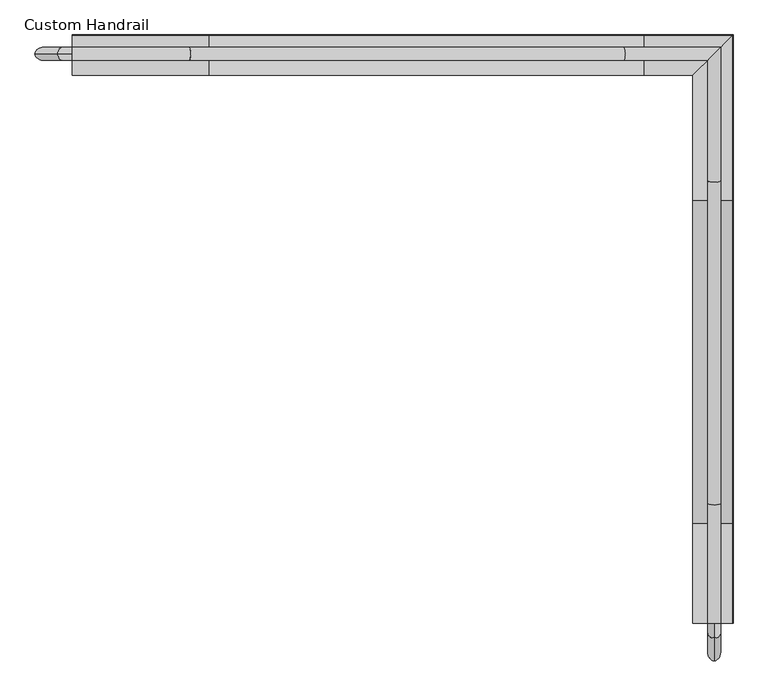
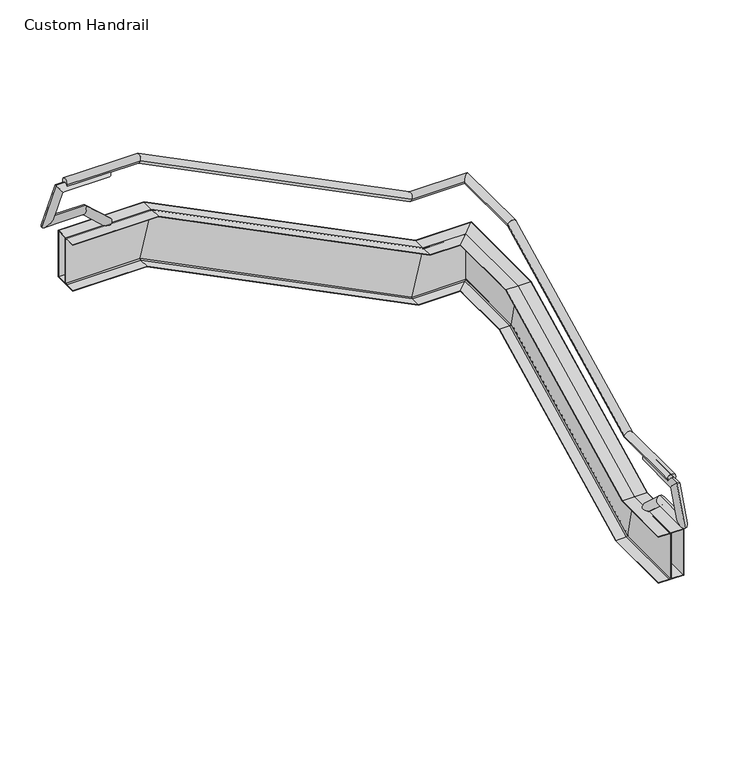
"""IFC4 building model written with IfcOpenShell, lengths in millimetres: railing geometry, Custom Handrail."""

from ifc_helpers import new_model, si_unit, frame, origin, place, context, project, spatial, polyline, circle_curve, ellipse_curve, faceted_brep, source, transform, mapped, element, save
from ifc_brep_helpers import plane_surface, cylinder_surface, revolved_surface, advanced_brep


def custom_handrail_649a79db(model_context):
    return source(origin(), model_context, "Body", "SolidModel", [
        advanced_brep(
        [(-1516.8362637, 4484.6661299, 990.6), (-1618.4362637, 4484.6661299, 990.6), (-1516.8362637, 5411.0583832, 990.6), (-1618.4362637, 5411.0583832, 990.6), (-1516.8362637, 7900.2583832, 2235.2), (-1618.4362637, 7900.2583832, 2235.2), (-1516.8362637, 8929.6661299, 2235.2), (-1618.4362637, 8828.0661299, 2235.2), (-2265.428517, 8929.6661299, 2235.2), (-2265.428517, 8828.0661299, 2235.2), (-5618.228517, 8929.6661299, 3911.6), (-5618.228517, 8828.0661299, 3911.6), (-6520.6362637, 8929.6661299, 3911.6), (-6520.6362637, 8828.0661299, 3911.6)],
        [
            (0, 1, circle_curve(frame((-1567.6362637, 4484.6661299, 990.6), z_axis=(0.0, -1.0, 0.0), x_axis=(-1.0, 0.0, 0.0)), 50.8)),
            (1, 0, circle_curve(frame((-1567.6362637, 4484.6661299, 990.6), z_axis=(0.0, -1.0, 0.0), x_axis=(-1.0, 0.0, 0.0)), 50.8)),
            (0, 2),
            (2, 3, ellipse_curve(frame((-1567.6362637, 5411.0583832, 990.6), z_axis=(0.0, -0.9732489894677302, -0.22975292054736132), x_axis=(0.0, -0.22975292054736085, 0.9732489894677302)), 52.1963039, 50.8)),
            (3, 1),
            (3, 2, ellipse_curve(frame((-1567.6362637, 5411.0583832, 990.6), z_axis=(0.0, -0.9732489894677302, -0.22975292054736132), x_axis=(0.0, -0.22975292054736085, 0.9732489894677302)), 52.1963039, 50.8)),
            (2, 4),
            (4, 5, ellipse_curve(frame((-1567.6362637, 7900.2583832, 2235.2), z_axis=(0.0, -0.9732489894677302, -0.22975292054736146), x_axis=(0.0, 0.22975292054736196, -0.9732489894677301)), 52.1963039, 50.8)),
            (5, 3),
            (5, 4, ellipse_curve(frame((-1567.6362637, 7900.2583832, 2235.2), z_axis=(0.0, -0.9732489894677302, -0.22975292054736146), x_axis=(0.0, 0.22975292054736196, -0.9732489894677301)), 52.1963039, 50.8)),
            (4, 6),
            (6, 7, ellipse_curve(frame((-1567.6362637, 8878.8661299, 2235.2), z_axis=(0.7071067811865475, -0.7071067811865475, 0.0), x_axis=(-0.7071067811865474, -0.7071067811865476, 0.0)), 71.842049, 50.8)),
            (7, 5),
            (7, 6, ellipse_curve(frame((-1567.6362637, 8878.8661299, 2235.2), z_axis=(0.7071067811865475, -0.7071067811865475, 0.0), x_axis=(-0.7071067811865474, -0.7071067811865476, 0.0)), 71.842049, 50.8)),
            (6, 8),
            (8, 9, ellipse_curve(frame((-2265.428517, 8878.8661299, 2235.2), z_axis=(0.9732489894677302, 0.0, -0.2297529205473615), x_axis=(0.2297529205473609, 0.0, 0.9732489894677301)), 52.1963039, 50.8)),
            (9, 7),
            (9, 8, ellipse_curve(frame((-2265.428517, 8878.8661299, 2235.2), z_axis=(0.9732489894677302, 0.0, -0.2297529205473615), x_axis=(0.2297529205473609, 0.0, 0.9732489894677301)), 52.1963039, 50.8)),
            (8, 10),
            (10, 11, ellipse_curve(frame((-5618.228517, 8878.8661299, 3911.6), z_axis=(0.9732489894677302, 0.0, -0.22975292054736157), x_axis=(-0.22975292054736246, 0.0, -0.9732489894677298)), 52.1963039, 50.8)),
            (11, 9),
            (11, 10, ellipse_curve(frame((-5618.228517, 8878.8661299, 3911.6), z_axis=(0.9732489894677302, 0.0, -0.22975292054736157), x_axis=(-0.22975292054736246, 0.0, -0.9732489894677298)), 52.1963039, 50.8)),
            (12, 13, circle_curve(frame((-6520.6362637, 8878.8661299, 3911.6), z_axis=(-1.0, 0.0, 0.0), x_axis=(0.0, -1.0, 0.0)), 50.8)),
            (13, 12, circle_curve(frame((-6520.6362637, 8878.8661299, 3911.6), z_axis=(-1.0, 0.0, 0.0), x_axis=(0.0, -1.0, 0.0)), 50.8)),
            (10, 12),
            (13, 11),
        ],
        [
            plane_surface(frame((-1567.6362637, 4484.6661299, 1041.4), z_axis=(0.0, -1.0, 0.0), x_axis=(0.0, 0.0, 1.0))),
            cylinder_surface(frame((-1567.6362637, 4484.6661299, 990.6), z_axis=(0.0, -1.0, 0.0), x_axis=(-1.0, 0.0, 0.0)), 50.8),
            cylinder_surface(frame((-1567.6362637, 5421.7845806, 995.9630987), z_axis=(0.0, -0.8944271909999159, -0.4472135954999582), x_axis=(-1.0, 0.0, 0.0)), 50.8),
            cylinder_surface(frame((-1567.6362637, 7888.2661299, 2235.2), z_axis=(0.0, -1.0, 0.0), x_axis=(-1.0, 0.0, 0.0)), 50.8),
            cylinder_surface(frame((-1567.6362637, 8878.8661299, 2235.2), z_axis=(1.0, 0.0, 0.0), x_axis=(0.0, -1.0, 0.0)), 50.8),
            cylinder_surface(frame((-2276.1547144, 8878.8661299, 2240.5630987), z_axis=(0.8944271909999157, 0.0, -0.44721359549995826), x_axis=(0.0, -1.0, 0.0)), 50.8),
            plane_surface(frame((-6520.6362637, 8878.8661299, 3962.4), z_axis=(-1.0, 0.0, 0.0), x_axis=(0.0, -1.0, 0.0))),
            cylinder_surface(frame((-5606.2362637, 8878.8661299, 3911.6), z_axis=(1.0, 0.0, 0.0), x_axis=(0.0, -1.0, 0.0)), 50.8),
        ],
        [
            (0, [[1, 2]]),
            (1, [[-1, 3, 4, 5]]),
            (1, [[-2, -5, 6, -3]]),
            (2, [[-4, 7, 8, 9]]),
            (2, [[-6, -9, 10, -7]]),
            (3, [[-8, 11, 12, 13]]),
            (3, [[-10, -13, 14, -11]]),
            (4, [[-12, 15, 16, 17]]),
            (4, [[-14, -17, 18, -15]]),
            (5, [[-16, 19, 20, 21]]),
            (5, [[-18, -21, 22, -19]]),
            (6, [[23, 24]]),
            (7, [[-20, 25, -24, 26]]),
            (7, [[-22, -26, -23, -25]]),
        ],
    ),
        advanced_brep(
        [(-1427.9362637, 4484.6661299, -330.2), (-1427.9362637, 4484.6661299, -323.85), (-1561.2862637, 4484.6661299, -323.85), (-1573.9862637, 4484.6661299, -311.15), (-1573.9862637, 4484.6661299, 260.35), (-1561.2862637, 4484.6661299, 273.05), (-1427.9362637, 4484.6661299, 273.05), (-1427.9362637, 4484.6661299, 279.4), (-1580.3362637, 4484.6661299, 279.4), (-1732.7362637, 4484.6661299, 279.4), (-1732.7362637, 4484.6661299, 273.05), (-1599.3862637, 4484.6661299, 273.05), (-1586.6862637, 4484.6661299, 260.35), (-1586.6862637, 4484.6661299, -311.15), (-1599.3862637, 4484.6661299, -323.85), (-1732.7362637, 4484.6661299, -323.85), (-1732.7362637, 4484.6661299, -330.2), (-1580.3362637, 4484.6661299, -330.2), (-1427.9362637, 5399.0661299, -330.2), (-1427.9362637, 5397.5670983, -323.85), (-1561.2862637, 5397.5670983, -323.85), (-1573.9862637, 5394.569035, -311.15), (-1573.9862637, 5259.6561858, 260.35), (-1561.2862637, 5256.6581225, 273.05), (-1427.9362637, 5256.6581225, 273.05), (-1427.9362637, 5255.1590909, 279.4), (-1580.3362637, 5255.1590909, 279.4), (-1732.7362637, 5255.1590909, 279.4), (-1732.7362637, 5256.6581225, 273.05), (-1599.3862637, 5256.6581225, 273.05), (-1586.6862637, 5259.6561858, 260.35), (-1586.6862637, 5394.569035, -311.15), (-1599.3862637, 5397.5670983, -323.85), (-1732.7362637, 5397.5670983, -323.85), (-1732.7362637, 5399.0661299, -330.2), (-1580.3362637, 5399.0661299, -330.2), (-1427.9362637, 7888.2661299, 914.4), (-1427.9362637, 7886.7670983, 920.75), (-1561.2862637, 7886.7670983, 920.75), (-1573.9862637, 7883.769035, 933.45), (-1573.9862637, 7748.8561858, 1504.95), (-1561.2862637, 7745.8581225, 1517.65), (-1427.9362637, 7745.8581225, 1517.65), (-1427.9362637, 7744.3590909, 1524.0), (-1580.3362637, 7744.3590909, 1524.0), (-1732.7362637, 7744.3590909, 1524.0), (-1732.7362637, 7745.8581225, 1517.65), (-1599.3862637, 7745.8581225, 1517.65), (-1586.6862637, 7748.8561858, 1504.95), (-1586.6862637, 7883.769035, 933.45), (-1599.3862637, 7886.7670983, 920.75), (-1732.7362637, 7886.7670983, 920.75), (-1732.7362637, 7888.2661299, 914.4), (-1580.3362637, 7888.2661299, 914.4), (-1427.9362637, 9018.5661299, 914.4), (-1427.9362637, 9018.5661299, 920.75), (-1561.2862637, 8885.2161299, 920.75), (-1573.9862637, 8872.5161299, 933.45), (-1573.9862637, 8872.5161299, 1504.95), (-1561.2862637, 8885.2161299, 1517.65), (-1427.9362637, 9018.5661299, 1517.65), (-1427.9362637, 9018.5661299, 1524.0), (-1580.3362637, 8866.1661299, 1524.0), (-1732.7362637, 8713.7661299, 1524.0), (-1732.7362637, 8713.7661299, 1517.65), (-1599.3862637, 8847.1161299, 1517.65), (-1586.6862637, 8859.8161299, 1504.95), (-1586.6862637, 8859.8161299, 933.45), (-1599.3862637, 8847.1161299, 920.75), (-1732.7362637, 8713.7661299, 920.75), (-1732.7362637, 8713.7661299, 914.4), (-1580.3362637, 8866.1661299, 914.4), (-2253.4362637, 9018.5661299, 914.4), (-2251.9372321, 9018.5661299, 920.75), (-2251.9372321, 8885.2161299, 920.75), (-2248.9391688, 8872.5161299, 933.45), (-2114.0263196, 8872.5161299, 1504.95), (-2111.0282563, 8885.2161299, 1517.65), (-2111.0282563, 9018.5661299, 1517.65), (-2109.5292247, 9018.5661299, 1524.0), (-2109.5292247, 8866.1661299, 1524.0), (-2109.5292247, 8713.7661299, 1524.0), (-2111.0282563, 8713.7661299, 1517.65), (-2111.0282563, 8847.1161299, 1517.65), (-2114.0263196, 8859.8161299, 1504.95), (-2248.9391688, 8859.8161299, 933.45), (-2251.9372321, 8847.1161299, 920.75), (-2251.9372321, 8713.7661299, 920.75), (-2253.4362637, 8713.7661299, 914.4), (-2253.4362637, 8866.1661299, 914.4), (-5606.2362637, 9018.5661299, 2590.8), (-5604.7372321, 9018.5661299, 2597.15), (-5604.7372321, 8885.2161299, 2597.15), (-5601.7391688, 8872.5161299, 2609.85), (-5466.8263196, 8872.5161299, 3181.35), (-5463.8282563, 8885.2161299, 3194.05), (-5463.8282563, 9018.5661299, 3194.05), (-5462.3292247, 9018.5661299, 3200.4), (-5462.3292247, 8866.1661299, 3200.4), (-5462.3292247, 8713.7661299, 3200.4), (-5463.8282563, 8713.7661299, 3194.05), (-5463.8282563, 8847.1161299, 3194.05), (-5466.8263196, 8859.8161299, 3181.35), (-5601.7391688, 8859.8161299, 2609.85), (-5604.7372321, 8847.1161299, 2597.15), (-5604.7372321, 8713.7661299, 2597.15), (-5606.2362637, 8713.7661299, 2590.8), (-5606.2362637, 8866.1661299, 2590.8), (-6520.6362637, 9018.5661299, 2590.8), (-6520.6362637, 8866.1661299, 2590.8), (-6520.6362637, 8713.7661299, 2590.8), (-6520.6362637, 8713.7661299, 2597.15), (-6520.6362637, 8847.1161299, 2597.15), (-6520.6362637, 8859.8161299, 2609.85), (-6520.6362637, 8859.8161299, 3181.35), (-6520.6362637, 8847.1161299, 3194.05), (-6520.6362637, 8713.7661299, 3194.05), (-6520.6362637, 8713.7661299, 3200.4), (-6520.6362637, 8866.1661299, 3200.4), (-6520.6362637, 9018.5661299, 3200.4), (-6520.6362637, 9018.5661299, 3194.05), (-6520.6362637, 8885.2161299, 3194.05), (-6520.6362637, 8872.5161299, 3181.35), (-6520.6362637, 8872.5161299, 2609.85), (-6520.6362637, 8885.2161299, 2597.15), (-6520.6362637, 9018.5661299, 2597.15)],
        [
            (0, 1),
            (1, 2),
            (2, 3, circle_curve(frame((-1561.2862637, 4484.6661299, -311.15), z_axis=(0.0, 1.0, 0.0), x_axis=(-1.0, 0.0, 0.0)), 12.7)),
            (3, 4),
            (4, 5, circle_curve(frame((-1561.2862637, 4484.6661299, 260.35), z_axis=(0.0, 1.0, 0.0), x_axis=(-1.0, 0.0, 0.0)), 12.7)),
            (5, 6),
            (6, 7),
            (7, 8),
            (8, 9),
            (9, 10),
            (10, 11),
            (11, 12, circle_curve(frame((-1599.3862637, 4484.6661299, 260.35), z_axis=(0.0, 1.0, 0.0), x_axis=(-1.0, 0.0, 0.0)), 12.7)),
            (12, 13),
            (13, 14, circle_curve(frame((-1599.3862637, 4484.6661299, -311.15), z_axis=(0.0, 1.0, 0.0), x_axis=(-1.0, 0.0, 0.0)), 12.7)),
            (14, 15),
            (15, 16),
            (16, 17),
            (17, 0),
            (0, 18),
            (18, 19),
            (19, 1),
            (19, 20),
            (20, 2),
            (20, 21, ellipse_curve(frame((-1561.2862637, 5394.569035, -311.15), z_axis=(0.0, 0.9732489894677302, 0.22975292054736132), x_axis=(0.0, 0.22975292054736085, -0.9732489894677302)), 13.049076, 12.7)),
            (21, 3),
            (21, 22),
            (22, 4),
            (22, 23, ellipse_curve(frame((-1561.2862637, 5259.6561858, 260.35), z_axis=(0.0, 0.9732489894677302, 0.22975292054736132), x_axis=(0.0, 0.22975292054736085, -0.9732489894677302)), 13.049076, 12.7)),
            (23, 5),
            (23, 24),
            (24, 6),
            (24, 25),
            (25, 7),
            (25, 26),
            (26, 8),
            (26, 27),
            (27, 9),
            (27, 28),
            (28, 10),
            (28, 29),
            (29, 11),
            (29, 30, ellipse_curve(frame((-1599.3862637, 5259.6561858, 260.35), z_axis=(0.0, 0.9732489894677302, 0.22975292054736132), x_axis=(0.0, 0.22975292054736085, -0.9732489894677302)), 13.049076, 12.7)),
            (30, 12),
            (30, 31),
            (31, 13),
            (31, 32, ellipse_curve(frame((-1599.3862637, 5394.569035, -311.15), z_axis=(0.0, 0.9732489894677302, 0.22975292054736132), x_axis=(0.0, 0.22975292054736085, -0.9732489894677302)), 13.049076, 12.7)),
            (32, 14),
            (32, 33),
            (33, 15),
            (33, 34),
            (34, 16),
            (34, 35),
            (35, 17),
            (35, 18),
            (18, 36),
            (36, 37),
            (37, 19),
            (37, 38),
            (38, 20),
            (38, 39, ellipse_curve(frame((-1561.2862637, 7883.769035, 933.45), z_axis=(0.0, 0.9732489894677302, 0.22975292054736146), x_axis=(0.0, -0.22975292054736196, 0.9732489894677301)), 13.049076, 12.7)),
            (39, 21),
            (39, 40),
            (40, 22),
            (40, 41, ellipse_curve(frame((-1561.2862637, 7748.8561858, 1504.95), z_axis=(0.0, 0.9732489894677302, 0.22975292054736146), x_axis=(0.0, -0.22975292054736196, 0.9732489894677301)), 13.049076, 12.7)),
            (41, 23),
            (41, 42),
            (42, 24),
            (42, 43),
            (43, 25),
            (43, 44),
            (44, 26),
            (44, 45),
            (45, 27),
            (45, 46),
            (46, 28),
            (46, 47),
            (47, 29),
            (47, 48, ellipse_curve(frame((-1599.3862637, 7748.8561858, 1504.95), z_axis=(0.0, 0.9732489894677302, 0.22975292054736146), x_axis=(0.0, -0.22975292054736196, 0.9732489894677301)), 13.049076, 12.7)),
            (48, 30),
            (48, 49),
            (49, 31),
            (49, 50, ellipse_curve(frame((-1599.3862637, 7883.769035, 933.45), z_axis=(0.0, 0.9732489894677302, 0.22975292054736146), x_axis=(0.0, -0.22975292054736196, 0.9732489894677301)), 13.049076, 12.7)),
            (50, 32),
            (50, 51),
            (51, 33),
            (51, 52),
            (52, 34),
            (52, 53),
            (53, 35),
            (53, 36),
            (36, 54),
            (54, 55),
            (55, 37),
            (55, 56),
            (56, 38),
            (56, 57, ellipse_curve(frame((-1561.2862637, 8885.2161299, 933.45), z_axis=(-0.7071067811865475, 0.7071067811865475, 0.0), x_axis=(0.7071067811865474, 0.7071067811865476, 0.0)), 17.9605122, 12.7)),
            (57, 39),
            (57, 58),
            (58, 40),
            (58, 59, ellipse_curve(frame((-1561.2862637, 8885.2161299, 1504.95), z_axis=(-0.7071067811865475, 0.7071067811865475, 0.0), x_axis=(0.7071067811865474, 0.7071067811865476, 0.0)), 17.9605122, 12.7)),
            (59, 41),
            (59, 60),
            (60, 42),
            (60, 61),
            (61, 43),
            (61, 62),
            (62, 44),
            (62, 63),
            (63, 45),
            (63, 64),
            (64, 46),
            (64, 65),
            (65, 47),
            (65, 66, ellipse_curve(frame((-1599.3862637, 8847.1161299, 1504.95), z_axis=(-0.7071067811865475, 0.7071067811865475, 0.0), x_axis=(0.7071067811865474, 0.7071067811865476, 0.0)), 17.9605122, 12.7)),
            (66, 48),
            (66, 67),
            (67, 49),
            (67, 68, ellipse_curve(frame((-1599.3862637, 8847.1161299, 933.45), z_axis=(-0.7071067811865475, 0.7071067811865475, 0.0), x_axis=(0.7071067811865474, 0.7071067811865476, 0.0)), 17.9605122, 12.7)),
            (68, 50),
            (68, 69),
            (69, 51),
            (69, 70),
            (70, 52),
            (70, 71),
            (71, 53),
            (71, 54),
            (54, 72),
            (72, 73),
            (73, 55),
            (73, 74),
            (74, 56),
            (74, 75, ellipse_curve(frame((-2248.9391688, 8885.2161299, 933.45), z_axis=(-0.9732489894677302, 0.0, 0.2297529205473615), x_axis=(-0.2297529205473609, 0.0, -0.9732489894677301)), 13.049076, 12.7)),
            (75, 57),
            (75, 76),
            (76, 58),
            (76, 77, ellipse_curve(frame((-2114.0263196, 8885.2161299, 1504.95), z_axis=(-0.9732489894677302, 0.0, 0.2297529205473615), x_axis=(-0.2297529205473609, 0.0, -0.9732489894677301)), 13.049076, 12.7)),
            (77, 59),
            (77, 78),
            (78, 60),
            (78, 79),
            (79, 61),
            (79, 80),
            (80, 62),
            (80, 81),
            (81, 63),
            (81, 82),
            (82, 64),
            (82, 83),
            (83, 65),
            (83, 84, ellipse_curve(frame((-2114.0263196, 8847.1161299, 1504.95), z_axis=(-0.9732489894677302, 0.0, 0.2297529205473615), x_axis=(-0.2297529205473609, 0.0, -0.9732489894677301)), 13.049076, 12.7)),
            (84, 66),
            (84, 85),
            (85, 67),
            (85, 86, ellipse_curve(frame((-2248.9391688, 8847.1161299, 933.45), z_axis=(-0.9732489894677302, 0.0, 0.2297529205473615), x_axis=(-0.2297529205473609, 0.0, -0.9732489894677301)), 13.049076, 12.7)),
            (86, 68),
            (86, 87),
            (87, 69),
            (87, 88),
            (88, 70),
            (88, 89),
            (89, 71),
            (89, 72),
            (72, 90),
            (90, 91),
            (91, 73),
            (91, 92),
            (92, 74),
            (92, 93, ellipse_curve(frame((-5601.7391688, 8885.2161299, 2609.85), z_axis=(-0.9732489894677302, 0.0, 0.22975292054736157), x_axis=(0.22975292054736246, 0.0, 0.9732489894677298)), 13.049076, 12.7)),
            (93, 75),
            (93, 94),
            (94, 76),
            (94, 95, ellipse_curve(frame((-5466.8263196, 8885.2161299, 3181.35), z_axis=(-0.9732489894677302, 0.0, 0.22975292054736157), x_axis=(0.22975292054736246, 0.0, 0.9732489894677298)), 13.049076, 12.7)),
            (95, 77),
            (95, 96),
            (96, 78),
            (96, 97),
            (97, 79),
            (97, 98),
            (98, 80),
            (98, 99),
            (99, 81),
            (99, 100),
            (100, 82),
            (100, 101),
            (101, 83),
            (101, 102, ellipse_curve(frame((-5466.8263196, 8847.1161299, 3181.35), z_axis=(-0.9732489894677302, 0.0, 0.22975292054736157), x_axis=(0.22975292054736246, 0.0, 0.9732489894677298)), 13.049076, 12.7)),
            (102, 84),
            (102, 103),
            (103, 85),
            (103, 104, ellipse_curve(frame((-5601.7391688, 8847.1161299, 2609.85), z_axis=(-0.9732489894677302, 0.0, 0.22975292054736157), x_axis=(0.22975292054736246, 0.0, 0.9732489894677298)), 13.049076, 12.7)),
            (104, 86),
            (104, 105),
            (105, 87),
            (105, 106),
            (106, 88),
            (106, 107),
            (107, 89),
            (107, 90),
            (108, 109),
            (109, 110),
            (110, 111),
            (111, 112),
            (112, 113, circle_curve(frame((-6520.6362637, 8847.1161299, 2609.85), z_axis=(1.0, 0.0, 0.0), x_axis=(0.0, -1.0, 0.0)), 12.7)),
            (113, 114),
            (114, 115, circle_curve(frame((-6520.6362637, 8847.1161299, 3181.35), z_axis=(1.0, 0.0, 0.0), x_axis=(0.0, -1.0, 0.0)), 12.7)),
            (115, 116),
            (116, 117),
            (117, 118),
            (118, 119),
            (119, 120),
            (120, 121),
            (121, 122, circle_curve(frame((-6520.6362637, 8885.2161299, 3181.35), z_axis=(1.0, 0.0, 0.0), x_axis=(0.0, -1.0, 0.0)), 12.7)),
            (122, 123),
            (123, 124, circle_curve(frame((-6520.6362637, 8885.2161299, 2609.85), z_axis=(1.0, 0.0, 0.0), x_axis=(0.0, -1.0, 0.0)), 12.7)),
            (124, 125),
            (125, 108),
            (90, 108),
            (125, 91),
            (124, 92),
            (123, 93),
            (122, 94),
            (121, 95),
            (120, 96),
            (119, 97),
            (118, 98),
            (117, 99),
            (116, 100),
            (115, 101),
            (114, 102),
            (113, 103),
            (112, 104),
            (111, 105),
            (110, 106),
            (109, 107),
        ],
        [
            plane_surface(frame((-1580.3362637, 4484.6661299, -330.2), z_axis=(0.0, -1.0, 0.0), x_axis=(0.0, 0.0, 1.0))),
            plane_surface(frame((-1427.9362637, 4484.6661299, -330.2), z_axis=(1.0, 0.0, 0.0), x_axis=(0.0, 1.0, 0.0))),
            plane_surface(frame((-1427.9362637, 4484.6661299, -323.85), z_axis=(0.0, 0.0, 1.0), x_axis=(0.0, 1.0, 0.0))),
            revolved_surface(polyline([(-1573.9862637, 5397.567098321445, -311.15), (-1573.9862637, 4484.6661299, -311.15)]), (-1561.2862637, 4484.6661299, -311.15), (0.0, 1.0, 0.0)),
            plane_surface(frame((-1573.9862637, 4484.6661299, -311.15), z_axis=(1.0, 0.0, 0.0), x_axis=(0.0, 1.0, 0.0))),
            revolved_surface(polyline([(-1573.9862637, 5262.654249121444, 260.35), (-1573.9862637, 4484.6661299, 260.35)]), (-1561.2862637, 4484.6661299, 260.35), (0.0, 1.0, 0.0)),
            plane_surface(frame((-1561.2862637, 4484.6661299, 273.05), z_axis=(0.0, 0.0, -1.0), x_axis=(0.0, 1.0, 0.0))),
            plane_surface(frame((-1427.9362637, 4484.6661299, 273.05), z_axis=(1.0, 0.0, 0.0), x_axis=(0.0, 1.0, 0.0))),
            plane_surface(frame((-1427.9362637, 4484.6661299, 279.4), z_axis=(0.0, 0.0, 1.0), x_axis=(0.0, 1.0, 0.0))),
            plane_surface(frame((-1580.3362637, 4484.6661299, 279.4), z_axis=(0.0, 0.0, 1.0), x_axis=(0.0, 1.0, 0.0))),
            plane_surface(frame((-1732.7362637, 4484.6661299, 279.4), z_axis=(-1.0, 0.0, 0.0), x_axis=(0.0, 1.0, 0.0))),
            plane_surface(frame((-1732.7362637, 4484.6661299, 273.05), z_axis=(0.0, 0.0, -1.0), x_axis=(0.0, 1.0, 0.0))),
            revolved_surface(polyline([(-1612.0862637, 5262.654249121444, 260.35), (-1612.0862637, 4484.6661299, 260.35)]), (-1599.3862637, 4484.6661299, 260.35), (0.0, 1.0, 0.0)),
            plane_surface(frame((-1586.6862637, 4484.6661299, 260.35), z_axis=(-1.0, 0.0, 0.0), x_axis=(0.0, 1.0, 0.0))),
            revolved_surface(polyline([(-1612.0862637, 5397.567098321445, -311.15), (-1612.0862637, 4484.6661299, -311.15)]), (-1599.3862637, 4484.6661299, -311.15), (0.0, 1.0, 0.0)),
            plane_surface(frame((-1599.3862637, 4484.6661299, -323.85), z_axis=(0.0, 0.0, 1.0), x_axis=(0.0, 1.0, 0.0))),
            plane_surface(frame((-1732.7362637, 4484.6661299, -323.85), z_axis=(-1.0, 0.0, 0.0), x_axis=(0.0, 1.0, 0.0))),
            plane_surface(frame((-1732.7362637, 4484.6661299, -330.2), z_axis=(0.0, 0.0, -1.0), x_axis=(0.0, 1.0, 0.0))),
            plane_surface(frame((-1580.3362637, 4484.6661299, -330.2), z_axis=(0.0, 0.0, -1.0), x_axis=(0.0, 1.0, 0.0))),
            plane_surface(frame((-1427.9362637, 5399.0661299, -330.2), z_axis=(1.0000000000000002, 0.0, 0.0), x_axis=(0.0, 0.894427190999916, 0.447213595499958))),
            plane_surface(frame((-1427.9362637, 5397.5670983, -323.85), z_axis=(0.0, -0.4472135954999582, 0.8944271909999159), x_axis=(0.0, 0.8944271909999159, 0.4472135954999582))),
            revolved_surface(polyline([(-1573.9862637, 7886.45058435504, 934.7907746775205), (-1573.9862637, 5391.88748564, -312.49077467999996)]), (-1561.2862637, 5390.546711, -313.161162), (0.0, 0.8944271909999159, 0.4472135954999582)),
            plane_surface(frame((-1573.9862637, 5394.569035, -311.15), z_axis=(1.0, 0.0, 0.0), x_axis=(0.0, 0.8944271909999159, 0.44721359549995815))),
            revolved_surface(polyline([(-1573.9862637, 7751.53773518, 1506.2907746400008), (-1573.9862637, 5256.97463646496, 259.00922528248003)]), (-1561.2862637, 5134.9641411, 198.0039776), (0.0, 0.8944271909999159, 0.4472135954999582)),
            plane_surface(frame((-1561.2862637, 5256.6581225, 273.05), z_axis=(0.0, 0.447213595499958, -0.894427190999916), x_axis=(0.0, 0.894427190999916, 0.447213595499958))),
            plane_surface(frame((-1427.9362637, 5256.6581225, 273.05), z_axis=(1.0000000000000002, 0.0, 0.0), x_axis=(0.0, 0.894427190999916, 0.4472135954999581))),
            plane_surface(frame((-1427.9362637, 5255.1590909, 279.4), z_axis=(0.0, -0.4472135954999581, 0.894427190999916), x_axis=(0.0, 0.894427190999916, 0.4472135954999581))),
            plane_surface(frame((-1580.3362637, 5255.1590909, 279.4), z_axis=(0.0, -0.4472135954999582, 0.8944271909999159), x_axis=(0.0, 0.8944271909999159, 0.4472135954999582))),
            plane_surface(frame((-1732.7362637, 5255.1590909, 279.4), z_axis=(-1.0000000000000002, 0.0, 0.0), x_axis=(0.0, 0.894427190999916, 0.4472135954999581))),
            plane_surface(frame((-1732.7362637, 5256.6581225, 273.05), z_axis=(0.0, 0.44721359549995787, -0.894427190999916), x_axis=(0.0, 0.894427190999916, 0.44721359549995787))),
            revolved_surface(polyline([(-1612.0862637, 7751.53773518, 1506.2907746400008), (-1612.0862637, 5256.97463646496, 259.00922528248003)]), (-1599.3862637, 5134.9641411, 198.0039776), (0.0, 0.8944271909999159, 0.4472135954999582)),
            plane_surface(frame((-1586.6862637, 5259.6561858, 260.35), z_axis=(-1.0000000000000002, 0.0, 0.0), x_axis=(0.0, 0.894427190999916, 0.4472135954999581))),
            revolved_surface(polyline([(-1612.0862637, 7886.45058435504, 934.7907746775205), (-1612.0862637, 5391.88748564, -312.49077467999996)]), (-1599.3862637, 5390.546711, -313.161162), (0.0, 0.8944271909999159, 0.4472135954999582)),
            plane_surface(frame((-1599.3862637, 5397.5670983, -323.85), z_axis=(0.0, -0.44721359549995826, 0.8944271909999157), x_axis=(0.0, 0.8944271909999157, 0.44721359549995826))),
            plane_surface(frame((-1732.7362637, 5397.5670983, -323.85), z_axis=(-1.0000000000000002, 0.0, 0.0), x_axis=(0.0, 0.8944271909999159, 0.4472135954999582))),
            plane_surface(frame((-1732.7362637, 5399.0661299, -330.2), z_axis=(0.0, 0.447213595499958, -0.894427190999916), x_axis=(0.0, 0.894427190999916, 0.447213595499958))),
            plane_surface(frame((-1580.3362637, 5399.0661299, -330.2), z_axis=(0.0, 0.447213595499958, -0.894427190999916), x_axis=(0.0, 0.894427190999916, 0.447213595499958))),
            plane_surface(frame((-1427.9362637, 7888.2661299, 914.4), z_axis=(1.0, 0.0, 0.0), x_axis=(0.0, 1.0, 0.0))),
            plane_surface(frame((-1427.9362637, 7886.7670983, 920.75), z_axis=(0.0, 0.0, 1.0), x_axis=(0.0, 1.0, 0.0))),
            revolved_surface(polyline([(-1573.9862637, 8897.916129870204, 933.45), (-1573.9862637, 7880.770971678556, 933.45)]), (-1561.2862637, 7888.2661299, 933.45), (0.0, 1.0, 0.0)),
            plane_surface(frame((-1573.9862637, 7883.769035, 933.45), z_axis=(1.0, 0.0, 0.0), x_axis=(0.0, 1.0, 0.0))),
            revolved_surface(polyline([(-1573.9862637, 8897.916129870204, 1504.95), (-1573.9862637, 7745.858122478556, 1504.95)]), (-1561.2862637, 7888.2661299, 1504.95), (0.0, 1.0, 0.0)),
            plane_surface(frame((-1561.2862637, 7745.8581225, 1517.65), z_axis=(0.0, 0.0, -1.0), x_axis=(0.0, 1.0, 0.0))),
            plane_surface(frame((-1427.9362637, 7745.8581225, 1517.65), z_axis=(1.0, 0.0, 0.0), x_axis=(0.0, 1.0, 0.0))),
            plane_surface(frame((-1427.9362637, 7744.3590909, 1524.0), z_axis=(0.0, 0.0, 1.0), x_axis=(0.0, 1.0, 0.0))),
            plane_surface(frame((-1580.3362637, 7744.3590909, 1524.0), z_axis=(0.0, 0.0, 1.0), x_axis=(0.0, 1.0, 0.0))),
            plane_surface(frame((-1732.7362637, 7744.3590909, 1524.0), z_axis=(-1.0, 0.0, 0.0), x_axis=(0.0, 1.0, 0.0))),
            plane_surface(frame((-1732.7362637, 7745.8581225, 1517.65), z_axis=(0.0, 0.0, -1.0), x_axis=(0.0, 1.0, 0.0))),
            revolved_surface(polyline([(-1612.0862637, 8859.8161299, 1504.95), (-1612.0862637, 7745.858122478556, 1504.95)]), (-1599.3862637, 7888.2661299, 1504.95), (0.0, 1.0, 0.0)),
            plane_surface(frame((-1586.6862637, 7748.8561858, 1504.95), z_axis=(-1.0, 0.0, 0.0), x_axis=(0.0, 1.0, 0.0))),
            revolved_surface(polyline([(-1612.0862637, 8859.8161299, 933.45), (-1612.0862637, 7880.770971678556, 933.45)]), (-1599.3862637, 7888.2661299, 933.45), (0.0, 1.0, 0.0)),
            plane_surface(frame((-1599.3862637, 7886.7670983, 920.75), z_axis=(0.0, 0.0, 1.0), x_axis=(0.0, 1.0, 0.0))),
            plane_surface(frame((-1732.7362637, 7886.7670983, 920.75), z_axis=(-1.0, 0.0, 0.0), x_axis=(0.0, 1.0, 0.0))),
            plane_surface(frame((-1732.7362637, 7888.2661299, 914.4), z_axis=(0.0, 0.0, -1.0), x_axis=(0.0, 1.0, 0.0))),
            plane_surface(frame((-1580.3362637, 7888.2661299, 914.4), z_axis=(0.0, 0.0, -1.0), x_axis=(0.0, 1.0, 0.0))),
            plane_surface(frame((-1427.9362637, 9018.5661299, 914.4), z_axis=(0.0, 1.0, 0.0), x_axis=(-1.0, 0.0, 0.0))),
            plane_surface(frame((-1427.9362637, 9018.5661299, 920.75), z_axis=(0.0, 0.0, 1.0), x_axis=(-1.0, 0.0, 0.0))),
            revolved_surface(polyline([(-2251.9372321214446, 8872.5161299, 933.45), (-1548.5862637297964, 8872.5161299, 933.45)]), (-1580.3362637, 8885.2161299, 933.45), (-1.0, 0.0, 0.0)),
            plane_surface(frame((-1573.9862637, 8872.5161299, 933.45), z_axis=(0.0, 1.0, 0.0), x_axis=(-1.0, 0.0, 0.0))),
            revolved_surface(polyline([(-2117.0243829214446, 8872.5161299, 1504.95), (-1548.5862637297964, 8872.5161299, 1504.95)]), (-1580.3362637, 8885.2161299, 1504.95), (-1.0, 0.0, 0.0)),
            plane_surface(frame((-1561.2862637, 8885.2161299, 1517.65), z_axis=(0.0, 0.0, -1.0), x_axis=(-1.0, 0.0, 0.0))),
            plane_surface(frame((-1427.9362637, 9018.5661299, 1517.65), z_axis=(0.0, 1.0, 0.0), x_axis=(-1.0, 0.0, 0.0))),
            plane_surface(frame((-1427.9362637, 9018.5661299, 1524.0), z_axis=(0.0, 0.0, 1.0), x_axis=(-1.0, 0.0, 0.0))),
            plane_surface(frame((-1580.3362637, 8866.1661299, 1524.0), z_axis=(0.0, 0.0, 1.0), x_axis=(-1.0, 0.0, 0.0))),
            plane_surface(frame((-1732.7362637, 8713.7661299, 1524.0), z_axis=(0.0, -1.0, 0.0), x_axis=(-1.0, 0.0, 0.0))),
            plane_surface(frame((-1732.7362637, 8713.7661299, 1517.65), z_axis=(0.0, 0.0, -1.0), x_axis=(-1.0, 0.0, 0.0))),
            revolved_surface(polyline([(-2117.0243829214446, 8834.416129899999, 1504.95), (-1586.6862637, 8834.416129899999, 1504.95)]), (-1580.3362637, 8847.1161299, 1504.95), (-1.0, 0.0, 0.0)),
            plane_surface(frame((-1586.6862637, 8859.8161299, 1504.95), z_axis=(0.0, -1.0, 0.0), x_axis=(-1.0, 0.0, 0.0))),
            revolved_surface(polyline([(-2251.9372321214446, 8834.416129899999, 933.45), (-1586.6862637, 8834.416129899999, 933.45)]), (-1580.3362637, 8847.1161299, 933.45), (-1.0, 0.0, 0.0)),
            plane_surface(frame((-1599.3862637, 8847.1161299, 920.75), z_axis=(0.0, 0.0, 1.0), x_axis=(-1.0, 0.0, 0.0))),
            plane_surface(frame((-1732.7362637, 8713.7661299, 920.75), z_axis=(0.0, -1.0, 0.0), x_axis=(-1.0, 0.0, 0.0))),
            plane_surface(frame((-1732.7362637, 8713.7661299, 914.4), z_axis=(0.0, 0.0, -1.0), x_axis=(-1.0, 0.0, 0.0))),
            plane_surface(frame((-1580.3362637, 8866.1661299, 914.4), z_axis=(0.0, 0.0, -1.0), x_axis=(-1.0, 0.0, 0.0))),
            plane_surface(frame((-2253.4362637, 9018.5661299, 914.4), z_axis=(0.0, 1.0000000000000002, 0.0), x_axis=(-0.894427190999916, 0.0, 0.447213595499958))),
            plane_surface(frame((-2251.9372321, 9018.5661299, 920.75), z_axis=(0.447213595499958, 0.0, 0.894427190999916), x_axis=(-0.894427190999916, 0.0, 0.447213595499958))),
            revolved_surface(polyline([(-5604.420718135039, 8872.5161299, 2611.190774717521), (-2246.25761942, 8872.5161299, 932.10922536)]), (-2244.9168447, 8885.2161299, 931.438838), (-0.8944271909999157, 0.0, 0.44721359549995826)),
            plane_surface(frame((-2248.9391688, 8872.5161299, 933.45), z_axis=(0.0, 1.0, 0.0), x_axis=(-0.8944271909999159, 0.0, 0.447213595499958))),
            revolved_surface(polyline([(-5469.507868979999, 8872.5161299, 3182.690774640001), (-2111.3447702649605, 8872.5161299, 1503.6092252824803)]), (-1989.3342749, 8885.2161299, 1442.6039776), (-0.8944271909999157, 0.0, 0.44721359549995826)),
            plane_surface(frame((-2111.0282563, 8885.2161299, 1517.65), z_axis=(-0.44721359549995804, 0.0, -0.894427190999916), x_axis=(-0.894427190999916, 0.0, 0.44721359549995804))),
            plane_surface(frame((-2111.0282563, 9018.5661299, 1517.65), z_axis=(0.0, 1.0, 0.0), x_axis=(-0.894427190999916, 0.0, 0.4472135954999578))),
            plane_surface(frame((-2109.5292247, 9018.5661299, 1524.0), z_axis=(0.447213595499958, 0.0, 0.8944271909999159), x_axis=(-0.8944271909999159, 0.0, 0.447213595499958))),
            plane_surface(frame((-2109.5292247, 8866.1661299, 1524.0), z_axis=(0.447213595499958, 0.0, 0.894427190999916), x_axis=(-0.894427190999916, 0.0, 0.447213595499958))),
            plane_surface(frame((-2109.5292247, 8713.7661299, 1524.0), z_axis=(0.0, -1.0000000000000002, 0.0), x_axis=(-0.894427190999916, 0.0, 0.4472135954999579))),
            plane_surface(frame((-2111.0282563, 8713.7661299, 1517.65), z_axis=(-0.447213595499958, 0.0, -0.894427190999916), x_axis=(-0.894427190999916, 0.0, 0.447213595499958))),
            revolved_surface(polyline([(-5469.507868979999, 8834.416129899999, 3182.690774640001), (-2111.3447702649605, 8834.416129899999, 1503.6092252824803)]), (-1989.3342749, 8847.1161299, 1442.6039776), (-0.8944271909999157, 0.0, 0.44721359549995826)),
            plane_surface(frame((-2114.0263196, 8859.8161299, 1504.95), z_axis=(0.0, -1.0000000000000002, 0.0), x_axis=(-0.894427190999916, 0.0, 0.44721359549995804))),
            revolved_surface(polyline([(-5604.420718135039, 8834.416129899999, 2611.190774717521), (-2246.25761942, 8834.416129899999, 932.10922536)]), (-2244.9168447, 8847.1161299, 931.438838), (-0.8944271909999157, 0.0, 0.44721359549995826)),
            plane_surface(frame((-2251.9372321, 8847.1161299, 920.75), z_axis=(0.447213595499958, 0.0, 0.894427190999916), x_axis=(-0.894427190999916, 0.0, 0.447213595499958))),
            plane_surface(frame((-2251.9372321, 8713.7661299, 920.75), z_axis=(0.0, -1.0000000000000002, 0.0), x_axis=(-0.894427190999916, 0.0, 0.447213595499958))),
            plane_surface(frame((-2253.4362637, 8713.7661299, 914.4), z_axis=(-0.447213595499958, 0.0, -0.894427190999916), x_axis=(-0.894427190999916, 0.0, 0.447213595499958))),
            plane_surface(frame((-2253.4362637, 8866.1661299, 914.4), z_axis=(-0.447213595499958, 0.0, -0.894427190999916), x_axis=(-0.894427190999916, 0.0, 0.447213595499958))),
            plane_surface(frame((-6520.6362637, 8866.1661299, 2590.8), z_axis=(-1.0, 0.0, 0.0), x_axis=(0.0, -1.0, 0.0))),
            plane_surface(frame((-5606.2362637, 9018.5661299, 2590.8), z_axis=(0.0, 1.0, 0.0), x_axis=(-1.0, 0.0, 0.0))),
            plane_surface(frame((-5604.7372321, 9018.5661299, 2597.15), z_axis=(0.0, 0.0, 1.0), x_axis=(-1.0, 0.0, 0.0))),
            revolved_surface(polyline([(-6520.6362637, 8872.5161299, 2609.85), (-5598.741105478555, 8872.5161299, 2609.85)]), (-5606.2362637, 8885.2161299, 2609.85), (-1.0, 0.0, 0.0)),
            plane_surface(frame((-5601.7391688, 8872.5161299, 2609.85), z_axis=(0.0, 1.0, 0.0), x_axis=(-1.0, 0.0, 0.0))),
            revolved_surface(polyline([(-6520.6362637, 8872.5161299, 3181.35), (-5463.828256278555, 8872.5161299, 3181.35)]), (-5606.2362637, 8885.2161299, 3181.35), (-1.0, 0.0, 0.0)),
            plane_surface(frame((-5463.8282563, 8885.2161299, 3194.05), z_axis=(0.0, 0.0, -1.0), x_axis=(-1.0, 0.0, 0.0))),
            plane_surface(frame((-5463.8282563, 9018.5661299, 3194.05), z_axis=(0.0, 1.0, 0.0), x_axis=(-1.0, 0.0, 0.0))),
            plane_surface(frame((-5462.3292247, 9018.5661299, 3200.4), z_axis=(0.0, 0.0, 1.0), x_axis=(-1.0, 0.0, 0.0))),
            plane_surface(frame((-5462.3292247, 8866.1661299, 3200.4), z_axis=(0.0, 0.0, 1.0), x_axis=(-1.0, 0.0, 0.0))),
            plane_surface(frame((-5462.3292247, 8713.7661299, 3200.4), z_axis=(0.0, -1.0, 0.0), x_axis=(-1.0, 0.0, 0.0))),
            plane_surface(frame((-5463.8282563, 8713.7661299, 3194.05), z_axis=(0.0, 0.0, -1.0), x_axis=(-1.0, 0.0, 0.0))),
            revolved_surface(polyline([(-6520.6362637, 8834.416129899999, 3181.35), (-5463.828256278555, 8834.416129899999, 3181.35)]), (-5606.2362637, 8847.1161299, 3181.35), (-1.0, 0.0, 0.0)),
            plane_surface(frame((-5466.8263196, 8859.8161299, 3181.35), z_axis=(0.0, -1.0, 0.0), x_axis=(-1.0, 0.0, 0.0))),
            revolved_surface(polyline([(-6520.6362637, 8834.416129899999, 2609.85), (-5598.741105478555, 8834.416129899999, 2609.85)]), (-5606.2362637, 8847.1161299, 2609.85), (-1.0, 0.0, 0.0)),
            plane_surface(frame((-5604.7372321, 8847.1161299, 2597.15), z_axis=(0.0, 0.0, 1.0), x_axis=(-1.0, 0.0, 0.0))),
            plane_surface(frame((-5604.7372321, 8713.7661299, 2597.15), z_axis=(0.0, -1.0, 0.0), x_axis=(-1.0, 0.0, 0.0))),
            plane_surface(frame((-5606.2362637, 8713.7661299, 2590.8), z_axis=(0.0, 0.0, -1.0), x_axis=(-1.0, 0.0, 0.0))),
            plane_surface(frame((-5606.2362637, 8866.1661299, 2590.8), z_axis=(0.0, 0.0, -1.0), x_axis=(-1.0, 0.0, 0.0))),
        ],
        [
            (0, [[1, 2, 3, 4, 5, 6, 7, 8, 9, 10, 11, 12, 13, 14, 15, 16, 17, 18]]),
            (1, [[-1, 19, 20, 21]]),
            (2, [[-2, -21, 22, 23]]),
            (3, [[-3, -23, 24, 25]]),
            (4, [[-4, -25, 26, 27]]),
            (5, [[-5, -27, 28, 29]]),
            (6, [[-6, -29, 30, 31]]),
            (7, [[-7, -31, 32, 33]]),
            (8, [[-8, -33, 34, 35]]),
            (9, [[-9, -35, 36, 37]]),
            (10, [[-10, -37, 38, 39]]),
            (11, [[-11, -39, 40, 41]]),
            (12, [[-12, -41, 42, 43]]),
            (13, [[-13, -43, 44, 45]]),
            (14, [[-14, -45, 46, 47]]),
            (15, [[-15, -47, 48, 49]]),
            (16, [[-16, -49, 50, 51]]),
            (17, [[-17, -51, 52, 53]]),
            (18, [[-18, -53, 54, -19]]),
            (19, [[-20, 55, 56, 57]]),
            (20, [[-22, -57, 58, 59]]),
            (21, [[-24, -59, 60, 61]]),
            (22, [[-26, -61, 62, 63]]),
            (23, [[-28, -63, 64, 65]]),
            (24, [[-30, -65, 66, 67]]),
            (25, [[-32, -67, 68, 69]]),
            (26, [[-34, -69, 70, 71]]),
            (27, [[-36, -71, 72, 73]]),
            (28, [[-38, -73, 74, 75]]),
            (29, [[-40, -75, 76, 77]]),
            (30, [[-42, -77, 78, 79]]),
            (31, [[-44, -79, 80, 81]]),
            (32, [[-46, -81, 82, 83]]),
            (33, [[-48, -83, 84, 85]]),
            (34, [[-50, -85, 86, 87]]),
            (35, [[-52, -87, 88, 89]]),
            (36, [[-54, -89, 90, -55]]),
            (37, [[-56, 91, 92, 93]]),
            (38, [[-58, -93, 94, 95]]),
            (39, [[-60, -95, 96, 97]]),
            (40, [[-62, -97, 98, 99]]),
            (41, [[-64, -99, 100, 101]]),
            (42, [[-66, -101, 102, 103]]),
            (43, [[-68, -103, 104, 105]]),
            (44, [[-70, -105, 106, 107]]),
            (45, [[-72, -107, 108, 109]]),
            (46, [[-74, -109, 110, 111]]),
            (47, [[-76, -111, 112, 113]]),
            (48, [[-78, -113, 114, 115]]),
            (49, [[-80, -115, 116, 117]]),
            (50, [[-82, -117, 118, 119]]),
            (51, [[-84, -119, 120, 121]]),
            (52, [[-86, -121, 122, 123]]),
            (53, [[-88, -123, 124, 125]]),
            (54, [[-90, -125, 126, -91]]),
            (55, [[-92, 127, 128, 129]]),
            (56, [[-94, -129, 130, 131]]),
            (57, [[-96, -131, 132, 133]]),
            (58, [[-98, -133, 134, 135]]),
            (59, [[-100, -135, 136, 137]]),
            (60, [[-102, -137, 138, 139]]),
            (61, [[-104, -139, 140, 141]]),
            (62, [[-106, -141, 142, 143]]),
            (63, [[-108, -143, 144, 145]]),
            (64, [[-110, -145, 146, 147]]),
            (65, [[-112, -147, 148, 149]]),
            (66, [[-114, -149, 150, 151]]),
            (67, [[-116, -151, 152, 153]]),
            (68, [[-118, -153, 154, 155]]),
            (69, [[-120, -155, 156, 157]]),
            (70, [[-122, -157, 158, 159]]),
            (71, [[-124, -159, 160, 161]]),
            (72, [[-126, -161, 162, -127]]),
            (73, [[-128, 163, 164, 165]]),
            (74, [[-130, -165, 166, 167]]),
            (75, [[-132, -167, 168, 169]]),
            (76, [[-134, -169, 170, 171]]),
            (77, [[-136, -171, 172, 173]]),
            (78, [[-138, -173, 174, 175]]),
            (79, [[-140, -175, 176, 177]]),
            (80, [[-142, -177, 178, 179]]),
            (81, [[-144, -179, 180, 181]]),
            (82, [[-146, -181, 182, 183]]),
            (83, [[-148, -183, 184, 185]]),
            (84, [[-150, -185, 186, 187]]),
            (85, [[-152, -187, 188, 189]]),
            (86, [[-154, -189, 190, 191]]),
            (87, [[-156, -191, 192, 193]]),
            (88, [[-158, -193, 194, 195]]),
            (89, [[-160, -195, 196, 197]]),
            (90, [[-162, -197, 198, -163]]),
            (91, [[199, 200, 201, 202, 203, 204, 205, 206, 207, 208, 209, 210, 211, 212, 213, 214, 215, 216]]),
            (92, [[-164, 217, -216, 218]]),
            (93, [[-166, -218, -215, 219]]),
            (94, [[-168, -219, -214, 220]]),
            (95, [[-170, -220, -213, 221]]),
            (96, [[-172, -221, -212, 222]]),
            (97, [[-174, -222, -211, 223]]),
            (98, [[-176, -223, -210, 224]]),
            (99, [[-178, -224, -209, 225]]),
            (100, [[-180, -225, -208, 226]]),
            (101, [[-182, -226, -207, 227]]),
            (102, [[-184, -227, -206, 228]]),
            (103, [[-186, -228, -205, 229]]),
            (104, [[-188, -229, -204, 230]]),
            (105, [[-190, -230, -203, 231]]),
            (106, [[-192, -231, -202, 232]]),
            (107, [[-194, -232, -201, 233]]),
            (108, [[-196, -233, -200, 234]]),
            (109, [[-198, -234, -199, -217]]),
        ],
    ),
        faceted_brep([(-1421.5862637, 4484.6661299, 279.4), (-1427.9362637, 4484.6661299, 279.4), (-1427.9362637, 4484.6661299, -330.2), (-1421.5862637, 4484.6661299, -330.2), (-1421.5862637, 5255.1590909, 279.4), (-1427.9362637, 5255.1590909, 279.4), (-1427.9362637, 5399.0661299, -330.2), (-1421.5862637, 5399.0661299, -330.2), (-1421.5862637, 7744.3590909, 1524.0), (-1427.9362637, 7744.3590909, 1524.0), (-1427.9362637, 7888.2661299, 914.4), (-1421.5862637, 7888.2661299, 914.4), (-1421.5862637, 9024.9161299, 1524.0), (-1427.9362637, 9018.5661299, 1524.0), (-1427.9362637, 9018.5661299, 914.4), (-1421.5862637, 9024.9161299, 914.4), (-2109.5292247, 9024.9161299, 1524.0), (-2109.5292247, 9018.5661299, 1524.0), (-2253.4362637, 9018.5661299, 914.4), (-2253.4362637, 9024.9161299, 914.4), (-5462.3292247, 9024.9161299, 3200.4), (-5462.3292247, 9018.5661299, 3200.4), (-5606.2362637, 9018.5661299, 2590.8), (-5606.2362637, 9024.9161299, 2590.8), (-6520.6362637, 9024.9161299, 3200.4), (-6520.6362637, 9024.9161299, 2590.8), (-6520.6362637, 9018.5661299, 2590.8), (-6520.6362637, 9018.5661299, 3200.4)], [[[0, 1, 2, 3]], [[1, 0, 4, 5]], [[2, 1, 5, 6]], [[3, 2, 6, 7]], [[0, 3, 7, 4]], [[5, 4, 8, 9]], [[6, 5, 9, 10]], [[7, 6, 10, 11]], [[4, 7, 11, 8]], [[9, 8, 12, 13]], [[10, 9, 13, 14]], [[11, 10, 14, 15]], [[8, 11, 15, 12]], [[13, 12, 16, 17]], [[14, 13, 17, 18]], [[15, 14, 18, 19]], [[12, 15, 19, 16]], [[17, 16, 20, 21]], [[18, 17, 21, 22]], [[19, 18, 22, 23]], [[16, 19, 23, 20]], [[24, 25, 26, 27]], [[21, 20, 24, 27]], [[22, 21, 27, 26]], [[23, 22, 26, 25]], [[20, 23, 25, 24]]]),
        advanced_brep(
        [(-5987.2362637, 8878.8661299, 3911.6), (-5987.2362637, 8878.8661299, 3810.0), (-6561.2657208, 8878.8661299, 3810.0), (-6632.4068067, 8878.8661299, 3911.6), (-6663.2833312, 8878.8661299, 3529.7089189), (-6808.3831687, 8878.8661299, 3428.1089189), (-6272.3224018, 8878.8661299, 3529.7089189), (-6311.7501256, 8878.8661299, 3428.1089189), (-6021.5034552, 8878.8661299, 3162.8980055), (-5952.9690723, 8878.8661299, 3237.9019945)],
        [
            (0, 1, circle_curve(frame((-5987.2362637, 8878.8661299, 3860.8), z_axis=(1.0, 0.0, 0.0), x_axis=(0.0, 0.0, -1.0)), 50.8)),
            (1, 0, circle_curve(frame((-5987.2362637, 8878.8661299, 3860.8), z_axis=(1.0, 0.0, 0.0), x_axis=(0.0, 0.0, -1.0)), 50.8)),
            (1, 2),
            (2, 3, ellipse_curve(frame((-6596.8362637, 8878.8661299, 3860.8), z_axis=(0.8191520442889922, 0.0, 0.5735764363510455), x_axis=(0.5735764363510455, 0.0, -0.8191520442889922)), 62.0153491, 50.8)),
            (3, 0),
            (3, 2, ellipse_curve(frame((-6596.8362637, 8878.8661299, 3860.8), z_axis=(0.8191520442889922, 0.0, 0.5735764363510455), x_axis=(0.5735764363510455, 0.0, -0.8191520442889922)), 62.0153491, 50.8)),
            (2, 4),
            (4, 5, ellipse_curve(frame((-6735.83325, 8878.8661299, 3478.9089189), z_axis=(-0.5735764363510455, 0.0, 0.8191520442889922), x_axis=(0.8191520442889922, 0.0, 0.5735764363510455)), 88.5670972, 50.8)),
            (5, 3),
            (5, 4, ellipse_curve(frame((-6735.83325, 8878.8661299, 3478.9089189), z_axis=(-0.5735764363510455, 0.0, 0.8191520442889922), x_axis=(0.8191520442889922, 0.0, 0.5735764363510455)), 88.5670972, 50.8)),
            (4, 6),
            (6, 7, ellipse_curve(frame((-6292.0362637, 8878.8661299, 3478.9089189), z_axis=(-0.932262902371369, 0.0, 0.3617815374809931), x_axis=(-0.3617815374809932, 0.0, -0.9322629023713689)), 54.4910667, 50.8)),
            (7, 5),
            (7, 6, ellipse_curve(frame((-6292.0362637, 8878.8661299, 3478.9089189), z_axis=(-0.932262902371369, 0.0, 0.3617815374809931), x_axis=(-0.3617815374809932, 0.0, -0.9322629023713689)), 54.4910667, 50.8)),
            (8, 9, circle_curve(frame((-5987.2362637, 8878.8661299, 3200.4), z_axis=(0.7382282382757775, 0.0, -0.6745510123128138), x_axis=(0.6745510123128138, 0.0, 0.7382282382757775)), 50.8)),
            (9, 8, circle_curve(frame((-5987.2362637, 8878.8661299, 3200.4), z_axis=(0.7382282382757775, 0.0, -0.6745510123128138), x_axis=(0.6745510123128138, 0.0, 0.7382282382757775)), 50.8)),
            (6, 9),
            (8, 7),
        ],
        [
            plane_surface(frame((-5987.2362637, 8878.8661299, 3860.8), z_axis=(1.0, 0.0, 0.0), x_axis=(0.0, 1.0, 0.0))),
            cylinder_surface(frame((-5987.2362637, 8878.8661299, 3860.8), z_axis=(1.0, 0.0, 0.0), x_axis=(0.0, 0.0, -1.0)), 50.8),
            cylinder_surface(frame((-6596.8362637, 8878.8661299, 3860.8), z_axis=(0.3420201433256702, 0.0, 0.9396926207859079), x_axis=(0.9396926207859079, 0.0, -0.3420201433256702)), 50.8),
            cylinder_surface(frame((-6735.83325, 8878.8661299, 3478.9089189), z_axis=(-1.0, 0.0, 0.0), x_axis=(0.0, 0.0, 1.0)), 50.8),
            plane_surface(frame((-5987.2362637, 8878.8661299, 3200.4), z_axis=(0.7382282382757777, 0.0, -0.6745510123128139), x_axis=(0.0, 1.0, 0.0))),
            cylinder_surface(frame((-6292.0362637, 8878.8661299, 3478.9089189), z_axis=(-0.7382282382757775, 0.0, 0.6745510123128138), x_axis=(0.6745510123128138, 0.0, 0.7382282382757775)), 50.8),
        ],
        [
            (0, [[1, 2]]),
            (1, [[3, 4, 5, -2]]),
            (1, [[-5, 6, -3, -1]]),
            (2, [[7, 8, 9, -4]]),
            (2, [[-9, 10, -7, -6]]),
            (3, [[11, 12, 13, -8]]),
            (3, [[-13, 14, -11, -10]]),
            (4, [[15, 16]]),
            (5, [[17, -15, 18, -12]]),
            (5, [[-18, -16, -17, -14]]),
        ],
    ),
        advanced_brep(
        [(-1567.6362637, 5018.0661299, 990.6), (-1567.6362637, 5018.0661299, 889.0), (-1567.6362637, 4444.0366729, 889.0), (-1567.6362637, 4372.895587, 990.6), (-1567.6362637, 4342.0190624, 608.7089189), (-1567.6362637, 4196.919225, 507.1089189), (-1567.6362637, 4732.9799918, 608.7089189), (-1567.6362637, 4693.5522681, 507.1089189), (-1567.6362637, 4983.7989385, 241.8980055), (-1567.6362637, 5052.3333214, 316.9019945)],
        [
            (0, 1, circle_curve(frame((-1567.6362637, 5018.0661299, 939.8), z_axis=(0.0, 1.0, 0.0), x_axis=(0.0, 0.0, -1.0)), 50.8)),
            (1, 0, circle_curve(frame((-1567.6362637, 5018.0661299, 939.8), z_axis=(0.0, 1.0, 0.0), x_axis=(0.0, 0.0, -1.0)), 50.8)),
            (1, 2),
            (2, 3, ellipse_curve(frame((-1567.6362637, 4408.4661299, 939.8), z_axis=(0.0, 0.8191520442889922, 0.5735764363510455), x_axis=(0.0, 0.5735764363510455, -0.8191520442889922)), 62.0153491, 50.8)),
            (3, 0),
            (3, 2, ellipse_curve(frame((-1567.6362637, 4408.4661299, 939.8), z_axis=(0.0, 0.8191520442889922, 0.5735764363510455), x_axis=(0.0, 0.5735764363510455, -0.8191520442889922)), 62.0153491, 50.8)),
            (2, 4),
            (4, 5, ellipse_curve(frame((-1567.6362637, 4269.4691437, 557.9089189), z_axis=(0.0, -0.5735764363510455, 0.8191520442889922), x_axis=(0.0, 0.8191520442889922, 0.5735764363510455)), 88.5670972, 50.8)),
            (5, 3),
            (5, 4, ellipse_curve(frame((-1567.6362637, 4269.4691437, 557.9089189), z_axis=(0.0, -0.5735764363510455, 0.8191520442889922), x_axis=(0.0, 0.8191520442889922, 0.5735764363510455)), 88.5670972, 50.8)),
            (4, 6),
            (6, 7, ellipse_curve(frame((-1567.6362637, 4713.2661299, 557.9089189), z_axis=(0.0, -0.932262902371369, 0.3617815374809931), x_axis=(0.0, -0.3617815374809932, -0.9322629023713689)), 54.4910667, 50.8)),
            (7, 5),
            (7, 6, ellipse_curve(frame((-1567.6362637, 4713.2661299, 557.9089189), z_axis=(0.0, -0.932262902371369, 0.3617815374809931), x_axis=(0.0, -0.3617815374809932, -0.9322629023713689)), 54.4910667, 50.8)),
            (8, 9, circle_curve(frame((-1567.6362637, 5018.0661299, 279.4), z_axis=(0.0, 0.7382282382757775, -0.6745510123128138), x_axis=(0.0, 0.6745510123128138, 0.7382282382757775)), 50.8)),
            (9, 8, circle_curve(frame((-1567.6362637, 5018.0661299, 279.4), z_axis=(0.0, 0.7382282382757775, -0.6745510123128138), x_axis=(0.0, 0.6745510123128138, 0.7382282382757775)), 50.8)),
            (6, 9),
            (8, 7),
        ],
        [
            plane_surface(frame((-1567.6362637, 5018.0661299, 939.8), z_axis=(0.0, 1.0, 0.0), x_axis=(1.0, 0.0, 0.0))),
            cylinder_surface(frame((-1567.6362637, 5018.0661299, 939.8), z_axis=(0.0, 1.0, 0.0), x_axis=(0.0, 0.0, -1.0)), 50.8),
            cylinder_surface(frame((-1567.6362637, 4408.4661299, 939.8), z_axis=(0.0, 0.3420201433256702, 0.9396926207859079), x_axis=(0.0, 0.9396926207859079, -0.3420201433256702)), 50.8),
            cylinder_surface(frame((-1567.6362637, 4269.4691437, 557.9089189), z_axis=(0.0, -1.0, 0.0), x_axis=(0.0, 0.0, 1.0)), 50.8),
            plane_surface(frame((-1567.6362637, 5018.0661299, 279.4), z_axis=(0.0, 0.7382282382757777, -0.6745510123128139), x_axis=(1.0, 0.0, 0.0))),
            cylinder_surface(frame((-1567.6362637, 4713.2661299, 557.9089189), z_axis=(0.0, -0.7382282382757775, 0.6745510123128138), x_axis=(0.0, 0.6745510123128138, 0.7382282382757775)), 50.8),
        ],
        [
            (0, [[1, 2]]),
            (1, [[3, 4, 5, -2]]),
            (1, [[-5, 6, -3, -1]]),
            (2, [[7, 8, 9, -4]]),
            (2, [[-9, 10, -7, -6]]),
            (3, [[11, 12, 13, -8]]),
            (3, [[-13, 14, -11, -10]]),
            (4, [[15, 16]]),
            (5, [[17, -15, 18, -12]]),
            (5, [[-18, -16, -17, -14]]),
        ],
    ),
    ])


if __name__ == "__main__":
    model = new_model("IFC4")
    model_context = context("Model", 3, world=origin())
    ifc_project = project(units=[si_unit("LENGTHUNIT", "METRE", prefix="MILLI")], contexts=[model_context])
    site = spatial("IfcSite", under=ifc_project)
    building = spatial("IfcBuilding", under=site)
    placement = place(None, origin())
    custom_handrail_shape = custom_handrail_649a79db(model_context)
    element("IfcRailing", 1, ObjectType="Custom Handrail", at=placement, inside=building, context=model_context, shape_type="MappedRepresentation", body=[
        mapped(custom_handrail_shape, transform((0.0, 0.0, 0.0), x_axis=(1.0, 0.0, 0.0), y_axis=(0.0, 1.0, 0.0), z_axis=(0.0, 0.0, 1.0))),
    ])
    save(model, "model.ifc")
